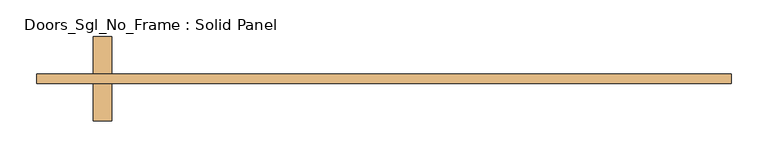
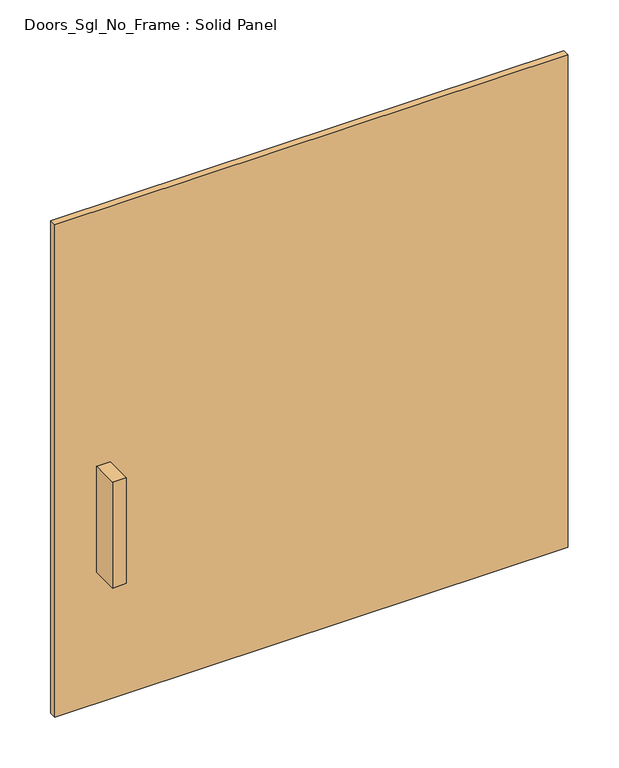
"""IFC4 building model written with IfcOpenShell, lengths in millimetres: door geometry, Doors_Sgl_No_Frame : Solid Panel."""

from ifc_helpers import new_model, si_unit, frame, origin, origin_with_axes, place, context, project, spatial, polyline, outline, extrude, source, transform, mapped, element, save


def doors_sgl_no_frame_solid_panel_3b7b1aad(model_context):
    return source(origin(), model_context, "Body", "SweptSolid", [
        extrude(outline(polyline([(469.9, 50.8), (469.9, 38.1), (-469.9, 38.1), (-469.9, 50.8), (469.9, 50.8)])), origin_with_axes(), (0.0, 0.0, 1.0), 952.5),
        extrude(outline(polyline([(-393.7, 101.6), (-368.3, 101.6), (-368.3, 50.8), (-393.7, 50.8), (-393.7, 101.6)])), frame((0.0, 0.0, 254.0), z_axis=(0.0, 0.0, 1.0), x_axis=(1.0, 0.0, 0.0)), (0.0, 0.0, 1.0), 204.7947268),
        extrude(outline(polyline([(-368.3, -12.7), (-393.7, -12.7), (-393.7, 38.1), (-368.3, 38.1), (-368.3, -12.7)])), frame((0.0, 0.0, 254.0), z_axis=(0.0, 0.0, 1.0), x_axis=(1.0, 0.0, 0.0)), (0.0, 0.0, 1.0), 204.7947268),
    ])


if __name__ == "__main__":
    model = new_model("IFC4")
    model_context = context("Model", 3, world=origin())
    ifc_project = project(units=[si_unit("LENGTHUNIT", "METRE", prefix="MILLI")], contexts=[model_context])
    site = spatial("IfcSite", under=ifc_project)
    building = spatial("IfcBuilding", under=site)
    placement = place(None, origin())
    doors_sgl_no_frame_solid_panel_shape = doors_sgl_no_frame_solid_panel_3b7b1aad(model_context)
    element("IfcDoor", 1, ObjectType="Doors_Sgl_No_Frame : Solid Panel", at=placement, inside=building, context=model_context, shape_type="MappedRepresentation", body=[
        mapped(doors_sgl_no_frame_solid_panel_shape, transform((0.0, 0.0, 0.0), x_axis=(1.0, 0.0, 0.0), y_axis=(0.0, 1.0, 0.0), z_axis=(0.0, 0.0, 1.0))),
    ])
    save(model, "model.ifc")
